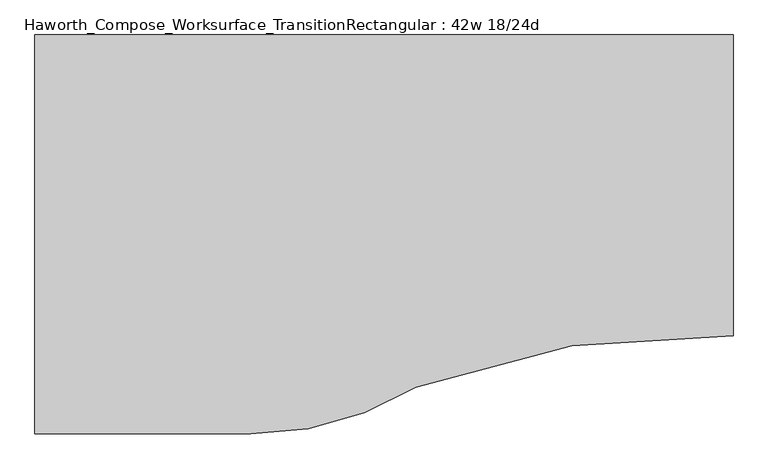
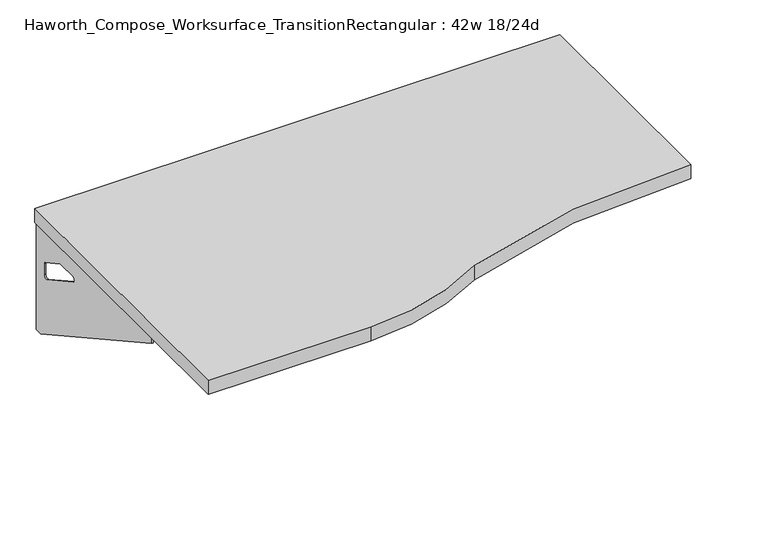
"""IFC4 building model written with IfcOpenShell, lengths in millimetres: furniture geometry, Haworth_Compose_Worksurface_TransitionRectangular : 42w 18/24d."""

import ifcopenshell
import ifcopenshell.guid

model = None  # the IFC model being written
_history = None  # IfcOwnerHistory: only IFC2X3 demands one
_inside = {}  # id of a spatial element -> (the spatial element, [elements in it])
_under = {}  # id of a project, library or spatial element -> (it, [spatial elements below it])
_declared = {}  # id of a project -> (the project, [libraries it declares])
_typed = {}  # id of a type object -> (the type object, [elements of that type])
_made_of = {}  # id of a material, layer set ... -> (it, [elements and type objects made of it])


def new_model(schema):
    """Start an empty IFC model of exactly this schema.

    Asked for "IFC4X3", IfcOpenShell would pick the latest addendum, in which some entities
    have other attributes; the version numbers below select the first issue.
    IFC2X3 requires an IfcOwnerHistory on every rooted entity: one is made here for all.
    """
    global model, _history
    if schema == "IFC4X3":
        model = ifcopenshell.file(schema_version=(4, 3, 0, 0))
    else:
        model = ifcopenshell.file(schema=schema)
    _inside.clear()
    _under.clear()
    _declared.clear()
    _typed.clear()
    _made_of.clear()
    _history = None
    if model.schema == "IFC2X3":
        org = make("IfcOrganization", Name="unknown")
        user = make(
            "IfcPersonAndOrganization",
            ThePerson=make("IfcPerson", FamilyName="unknown"),
            TheOrganization=org,
        )
        app = make(
            "IfcApplication",
            ApplicationDeveloper=org,
            Version="unknown",
            ApplicationFullName="unknown",
            ApplicationIdentifier="unknown",
        )
        _history = make(
            "IfcOwnerHistory",
            OwningUser=user,
            OwningApplication=app,
            ChangeAction="ADDED",
            CreationDate=0,
        )
    return model


def make(cls, **values):
    """One entity of the class cls with the attributes given. An attribute that is None is left unset."""
    return model.create_entity(
        cls, **{name: value for name, value in values.items() if value is not None}
    )


def rooted(cls, **values):
    """An entity with a GlobalId (a new one), such as an element, a storey or a relation."""
    return make(cls, GlobalId=ifcopenshell.guid.new(), OwnerHistory=_history, **values)


def si_unit(unit_type, name, prefix=None):
    """IfcSIUnit, for example si_unit("LENGTHUNIT", "METRE", prefix="MILLI")."""
    return make("IfcSIUnit", UnitType=unit_type, Prefix=prefix, Name=name)


def assignment(units):
    """IfcUnitAssignment: the units of a project."""
    return None if units is None else make("IfcUnitAssignment", Units=units)


def point(xyz):
    """IfcCartesianPoint."""
    return None if xyz is None else make("IfcCartesianPoint", Coordinates=xyz)


def direction(xyz):
    """IfcDirection."""
    return None if xyz is None else make("IfcDirection", DirectionRatios=xyz)


def frame(location, z_axis=None, x_axis=None):
    """IfcAxis2Placement3D, a coordinate frame: its origin and axes. An axis left out is left unset."""
    return make(
        "IfcAxis2Placement3D",
        Location=point(location),
        Axis=direction(z_axis),
        RefDirection=direction(x_axis),
    )


def frame_2d(location, x_axis=None):
    """IfcAxis2Placement2D, a coordinate frame in the plane: its origin and x axis."""
    return make(
        "IfcAxis2Placement2D", Location=point(location), RefDirection=direction(x_axis)
    )


def origin():
    """The frame at (0, 0, 0) with its axes left unset."""
    return frame((0.0, 0.0, 0.0))


def place(relative_to, where):
    """IfcLocalPlacement: puts the frame where relative to a parent placement (None: the world)."""
    return make(
        "IfcLocalPlacement", PlacementRelTo=relative_to, RelativePlacement=where
    )


def context(
    kind, dimensions, precision=None, world=None, true_north=None, identifier=None
):
    """IfcGeometricRepresentationContext, for example the 3D "Model" context."""
    return make(
        "IfcGeometricRepresentationContext",
        ContextIdentifier=identifier,
        ContextType=kind,
        CoordinateSpaceDimension=dimensions,
        Precision=precision,
        WorldCoordinateSystem=world,
        TrueNorth=true_north,
    )


def project(units=None, contexts=None):
    """IfcProject with its units and contexts."""
    return rooted(
        "IfcProject",
        Name="project",
        RepresentationContexts=contexts,
        UnitsInContext=assignment(units),
    )


def spatial(cls, under=None, at=None, **own):
    """A site, building, storey or space (cls), placed at a placement, below another one or the project."""
    s = rooted(cls, ObjectPlacement=at, **own)
    if under is not None:
        _under.setdefault(under.id(), (under, []))[1].append(s)
    return s


def polyline(points):
    """IfcPolyline through the points."""
    return make("IfcPolyline", Points=[point(p) for p in points])


def circle_curve(where, radius):
    """IfcCircle in the frame where."""
    return make("IfcCircle", Position=where, Radius=radius)


def trimmed(basis, trim1, trim2, sense, master):
    """IfcTrimmedCurve: the piece of a basis curve between two trims."""
    return make(
        "IfcTrimmedCurve",
        BasisCurve=basis,
        Trim1=trim1,
        Trim2=trim2,
        SenseAgreement=sense,
        MasterRepresentation=master,
    )


def segment(curve, same_sense, transition):
    """IfcCompositeCurveSegment."""
    return make(
        "IfcCompositeCurveSegment",
        Transition=transition,
        SameSense=same_sense,
        ParentCurve=curve,
    )


def composite_curve(segments, self_intersect=None):
    """IfcCompositeCurve: segments joined end to end."""
    return make("IfcCompositeCurve", Segments=segments, SelfIntersect=self_intersect)


def outline(outer, holes=None, kind="AREA"):
    """IfcArbitraryClosedProfileDef: a profile drawn as a closed curve; with holes, ...WithVoids."""
    if holes is None:
        return make("IfcArbitraryClosedProfileDef", ProfileType=kind, OuterCurve=outer)
    return make(
        "IfcArbitraryProfileDefWithVoids",
        ProfileType=kind,
        OuterCurve=outer,
        InnerCurves=holes,
    )


def extrude(swept, where, along, depth):
    """IfcExtrudedAreaSolid: the profile swept, set in the frame where, extruded along a direction by depth."""
    return make(
        "IfcExtrudedAreaSolid",
        SweptArea=swept,
        Position=where,
        ExtrudedDirection=direction(along),
        Depth=depth,
    )


def shape(context_of_items, identifier, shape_type, items):
    """IfcShapeRepresentation: the items that make up one representation, for example the "Body"."""
    return make(
        "IfcShapeRepresentation",
        ContextOfItems=context_of_items,
        RepresentationIdentifier=identifier,
        RepresentationType=shape_type,
        Items=items,
    )


def source(mapping_origin, context_of_items, identifier, shape_type, items):
    """IfcRepresentationMap: a shape defined once, which mapped items show again and again."""
    return make(
        "IfcRepresentationMap",
        MappingOrigin=mapping_origin,
        MappedRepresentation=shape(context_of_items, identifier, shape_type, items),
    )


def transform(
    local_origin,
    x_axis=None,
    y_axis=None,
    z_axis=None,
    scale=None,
    scale2=None,
    scale3=None,
    uniform=True,
):
    """IfcCartesianTransformationOperator3D, or its non-uniform kind. x_axis, y_axis, z_axis: its Axis1, 2, 3."""
    if uniform:
        return make(
            "IfcCartesianTransformationOperator3D",
            Axis1=direction(x_axis),
            Axis2=direction(y_axis),
            LocalOrigin=point(local_origin),
            Scale=scale,
            Axis3=direction(z_axis),
        )
    return make(
        "IfcCartesianTransformationOperator3DnonUniform",
        Axis1=direction(x_axis),
        Axis2=direction(y_axis),
        LocalOrigin=point(local_origin),
        Scale=scale,
        Axis3=direction(z_axis),
        Scale2=scale2,
        Scale3=scale3,
    )


def mapped(mapping_source, mapping_target):
    """IfcMappedItem: shows the shape of a source again, moved by a transform."""
    return make(
        "IfcMappedItem", MappingSource=mapping_source, MappingTarget=mapping_target
    )


def made_of(thing, what):
    """Note that an element or type object is made of a material, layer set ...; save() writes the relation."""
    if what is not None:
        _made_of.setdefault(what.id(), (what, []))[1].append(thing)
    return thing


def element(
    cls,
    number,
    at=None,
    inside=None,
    cuts=None,
    type_object=None,
    material=None,
    context=None,
    identifier="Body",
    shape_type=None,
    held_by="IfcProductDefinitionShape",
    body=None,
    shapes=None,
    **own,
):
    """One element of the class cls, such as IfcWall. Its Tag is "e" and its number.

    at: its placement. inside: the storey or other place that contains it. cuts: it is an
    opening in that element (IfcRelVoidsElement). A single representation is given by context,
    identifier, shape_type and body (its items); several are given by shapes. held_by: the class
    of the entity that holds the representations. save() writes the other relations.
    """
    e = rooted(cls, Tag="e%d" % number, ObjectPlacement=at, **own)
    if body is not None:
        shapes = [shape(context, identifier, shape_type, body)]
    if shapes is not None:
        e.Representation = make(held_by, Representations=shapes)
    if inside is not None:
        _inside.setdefault(inside.id(), (inside, []))[1].append(e)
    if cuts is not None:
        rooted(
            "IfcRelVoidsElement", RelatingBuildingElement=cuts, RelatedOpeningElement=e
        )
    if type_object is not None:
        _typed.setdefault(type_object.id(), (type_object, []))[1].append(e)
    return made_of(e, material)


def aggregate(whole, parts):
    """IfcRelAggregates: a whole, such as a stair, and the parts it consists of."""
    return rooted("IfcRelAggregates", RelatingObject=whole, RelatedObjects=parts)


def save(model, path):
    """Write the relations noted so far, then the file.

    IfcRelAggregates (storeys below a building ...), IfcRelContainedInSpatialStructure (elements
    in a storey), IfcRelDefinesByType, IfcRelAssociatesMaterial and IfcRelDeclares: one each for
    every whole, place, type object, material and project.
    """
    for whole, parts in _under.values():
        aggregate(whole, parts)
    for where, things in _inside.values():
        rooted(
            "IfcRelContainedInSpatialStructure",
            RelatedElements=things,
            RelatingStructure=where,
        )
    for kind, things in _typed.values():
        rooted("IfcRelDefinesByType", RelatedObjects=things, RelatingType=kind)
    for what, things in _made_of.values():
        rooted("IfcRelAssociatesMaterial", RelatedObjects=things, RelatingMaterial=what)
    for by, libraries in _declared.values():
        rooted("IfcRelDeclares", RelatingContext=by, RelatedDefinitions=libraries)
    model.write(path)


def plane_surface(at):
    """IfcPlane: the flat surface through the origin of the frame at, square to its z axis."""
    return make("IfcPlane", Position=at)


def revolved_surface(curve, axis_point, axis_direction):
    """IfcSurfaceOfRevolution: the curve turned about the line through axis_point along axis_direction."""
    return make(
        "IfcSurfaceOfRevolution",
        SweptCurve=make("IfcArbitraryOpenProfileDef", ProfileType="CURVE", Curve=curve),
        AxisPosition=make("IfcAxis1Placement", Location=point(axis_point), Axis=direction(axis_direction)),
    )


def advanced_brep(points, edges, surfaces, faces):
    """IfcAdvancedBrep: a solid bounded by faces that lie on surfaces and meet in shared edges.

    An edge is (start, end): straight between two places in points (the first is 0);
    or (start, end, curve); or (start, end, curve, False) where it runs against its curve.
    A face is (place in surfaces, loops), or (place, loops, False) where it looks against
    its surface's normal. A loop lists edges by number (the first is 1), with a minus sign
    where the edge is run from its end to its start. The first loop is the outer one.
    """
    corners = [point(p) for p in points]
    vertices = [make("IfcVertexPoint", VertexGeometry=c) for c in corners]
    made = []
    for start, end, *more in edges:
        made.append(
            make(
                "IfcEdgeCurve",
                EdgeStart=vertices[start],
                EdgeEnd=vertices[end],
                EdgeGeometry=more[0] if more else make("IfcPolyline", Points=[corners[start], corners[end]]),
                SameSense=more[1] if len(more) > 1 else True,
            )
        )
    hull = []
    for where, loops, *sense in faces:
        bounds = []
        for j, loop in enumerate(loops):
            ring = [make("IfcOrientedEdge", EdgeElement=made[abs(k) - 1], Orientation=k > 0) for k in loop]
            bounds.append(
                make(
                    "IfcFaceOuterBound" if j == 0 else "IfcFaceBound",
                    Bound=make("IfcEdgeLoop", EdgeList=ring),
                    Orientation=True,
                )
            )
        hull.append(make("IfcAdvancedFace", Bounds=bounds, FaceSurface=surfaces[where], SameSense=sense[0] if sense else True))
    return make("IfcAdvancedBrep", Outer=make("IfcClosedShell", CfsFaces=hull))


def haworth_compose_worksurface_transitionrectangular_42w_18_24d_d1cdecff(model_context):
    return source(origin(), model_context, "Body", "SolidModel", [
        advanced_brep(
        [(508.79375, 152.4, 475.45625), (508.79375, 136.525, 475.45625), (508.79375, -254.0, 691.7192568), (508.79375, -254.0, 704.05625), (508.79375, 136.525, 704.05625), (508.79375, 152.4, 704.05625), (508.79375, 69.090072, 665.95625), (508.79375, 25.4355284, 665.95625), (508.79375, 22.7564235, 656.3705539), (508.79375, 114.4776173, 605.5776439), (508.79375, 123.825, 611.1756969), (508.79375, 123.825, 634.6860246), (508.79375, 122.0730055, 637.5242776), (508.79375, 72.1663437, 665.1613425), (511.175, 152.4, 475.45625), (511.175, 152.4, 704.05625), (511.175, 136.525, 704.05625), (511.175, 136.525, 706.4375), (511.175, -254.0, 706.4375), (511.175, -254.0, 691.7192568), (511.175, 136.525, 475.45625), (511.175, 69.090072, 665.95625), (511.175, 72.1663437, 665.1613425), (511.175, 122.0730055, 637.5242776), (511.175, 123.825, 634.6860246), (511.175, 123.825, 611.1756969), (511.175, 114.4776173, 605.5776439), (511.175, 22.7564235, 656.3705539), (511.175, 25.4355284, 665.95625), (469.9, -254.0, 706.4375), (469.9, -254.0, 704.05625), (469.9, 136.525, 704.05625), (469.9, 136.525, 706.4375)],
        [
            (0, 1),
            (1, 2),
            (2, 3),
            (3, 4),
            (4, 5),
            (5, 0),
            (6, 7),
            (7, 8, circle_curve(frame((508.79375, 25.4355284, 660.7890106), z_axis=(1.0, 0.0, 0.0), x_axis=(0.0, -1.0, 0.0)), 5.1672394)),
            (8, 9),
            (9, 10, circle_curve(frame((508.79375, 117.475, 611.1756969), z_axis=(1.0, 0.0, 0.0), x_axis=(0.0, -1.0, 0.0)), 6.35)),
            (10, 11),
            (11, 12, circle_curve(frame((508.79375, 120.65, 634.6860246), z_axis=(1.0, 0.0, 0.0), x_axis=(0.0, -1.0, 0.0)), 3.175)),
            (12, 13),
            (13, 6, circle_curve(frame((508.79375, 69.090072, 659.60625), z_axis=(1.0, 0.0, 0.0), x_axis=(0.0, -1.0, 0.0)), 6.35)),
            (14, 15),
            (15, 16),
            (16, 17),
            (17, 18),
            (18, 19),
            (19, 20),
            (20, 14),
            (21, 22, circle_curve(frame((511.175, 69.090072, 659.60625), z_axis=(-1.0, 0.0, 0.0), x_axis=(0.0, -1.0, 0.0)), 6.35)),
            (22, 23),
            (23, 24, circle_curve(frame((511.175, 120.65, 634.6860246), z_axis=(-1.0, 0.0, 0.0), x_axis=(0.0, -1.0, 0.0)), 3.175)),
            (24, 25),
            (25, 26, circle_curve(frame((511.175, 117.475, 611.1756969), z_axis=(-1.0, 0.0, 0.0), x_axis=(0.0, -1.0, 0.0)), 6.35)),
            (26, 27),
            (27, 28, circle_curve(frame((511.175, 25.4355284, 660.7890106), z_axis=(-1.0, 0.0, 0.0), x_axis=(0.0, -1.0, 0.0)), 5.1672394)),
            (28, 21),
            (4, 16),
            (15, 5),
            (14, 0),
            (20, 1),
            (19, 2),
            (18, 29),
            (29, 30),
            (30, 3),
            (6, 21),
            (28, 7),
            (9, 26),
            (25, 10),
            (24, 11),
            (23, 12),
            (27, 8),
            (31, 4),
            (30, 31),
            (32, 29),
            (17, 32),
            (31, 32),
            (22, 13),
        ],
        [
            plane_surface(frame((508.79375, 152.4, 475.45625), z_axis=(-1.0, 0.0, 0.0), x_axis=(0.0, 1.0, 0.0))),
            plane_surface(frame((511.175, 152.4, 475.45625), z_axis=(1.0, 0.0, 0.0), x_axis=(0.0, -1.0, 0.0))),
            plane_surface(frame((511.175, -254.0, 704.05625), z_axis=(0.0, 0.0, 1.0), x_axis=(-1.0, 0.0, 0.0))),
            plane_surface(frame((511.175, 152.4, 704.05625), z_axis=(0.0, 1.0, 0.0), x_axis=(-1.0, 0.0, 0.0))),
            plane_surface(frame((511.175, 152.4, 475.45625), z_axis=(0.0, 0.0, -1.0), x_axis=(-1.0, 0.0, 0.0))),
            plane_surface(frame((511.175, 136.525, 475.45625), z_axis=(0.0, -0.48445223513455843, -0.8748177135112952), x_axis=(-1.0, 0.0, 0.0))),
            plane_surface(frame((511.175, -254.0, 691.7192568), z_axis=(0.0, -1.0, 0.0), x_axis=(-1.0, 0.0, 0.0))),
            plane_surface(frame((511.175, 69.090072, 665.95625), z_axis=(0.0, 0.0, -1.0), x_axis=(-1.0, 0.0, 0.0))),
            revolved_surface(polyline([(508.79375, 111.125, 611.1756969), (511.175, 111.125, 611.1756969)]), (511.175, 117.475, 611.1756969), (-1.0, 0.0, 0.0)),
            plane_surface(frame((511.175, 123.825, 611.1756969), z_axis=(0.0, -1.0, 0.0), x_axis=(-1.0, 0.0, 0.0))),
            revolved_surface(polyline([(508.79375, 117.47500000000001, 634.6860246), (511.175, 117.47500000000001, 634.6860246)]), (511.175, 120.65, 634.6860246), (-1.0, 0.0, 0.0)),
            revolved_surface(polyline([(508.79375, 20.268289, 660.7890106), (511.175, 20.268289, 660.7890106)]), (511.175, 25.4355284, 660.7890106), (-1.0, 0.0, 0.0)),
            plane_surface(frame((511.175, 136.525, 704.05625), z_axis=(0.0, 0.0, -1.0), x_axis=(-1.0, 0.0, 0.0))),
            plane_surface(frame((511.175, 136.525, 706.4375), z_axis=(0.0, 0.0, 1.0), x_axis=(1.0, 0.0, 0.0))),
            plane_surface(frame((469.9, 136.525, 706.4375), z_axis=(0.0, 1.0, 0.0), x_axis=(0.0, 0.0, -1.0))),
            plane_surface(frame((469.9, -254.0, 706.4375), z_axis=(-1.0, 0.0, 0.0), x_axis=(0.0, 0.0, -1.0))),
            plane_surface(frame((511.175, 22.7564235, 656.3705539), z_axis=(0.0, 0.4844522351345583, 0.8748177135112953), x_axis=(-1.0, 0.0, 0.0))),
            plane_surface(frame((511.175, 122.0730055, 637.5242776), z_axis=(0.0, -0.4844522351345582, -0.8748177135112953), x_axis=(-1.0, 0.0, 0.0))),
            revolved_surface(polyline([(508.79375, 62.740072000000005, 659.60625), (511.175, 62.740072000000005, 659.60625)]), (511.175, 69.090072, 659.60625), (-1.0, 0.0, 0.0)),
        ],
        [
            (0, [[1, 2, 3, 4, 5, 6], [7, 8, 9, 10, 11, 12, 13, 14]]),
            (1, [[15, 16, 17, 18, 19, 20, 21], [22, 23, 24, 25, 26, 27, 28, 29]]),
            (2, [[-5, 30, -16, 31]]),
            (3, [[-31, -15, 32, -6]]),
            (4, [[-32, -21, 33, -1]]),
            (5, [[-33, -20, 34, -2]]),
            (6, [[-34, -19, 35, 36, 37, -3]]),
            (7, [[38, -29, 39, -7]]),
            (8, [[40, -26, 41, -10]]),
            (9, [[-41, -25, 42, -11]]),
            (10, [[-42, -24, 43, -12]]),
            (11, [[-39, -28, 44, -8]]),
            (12, [[45, -4, -37, 46]]),
            (13, [[47, -35, -18, 48]]),
            (14, [[-17, -30, -45, 49, -48]]),
            (15, [[-36, -47, -49, -46]]),
            (16, [[-44, -27, -40, -9]]),
            (17, [[-43, -23, 50, -13]]),
            (18, [[-50, -22, -38, -14]]),
        ],
    ),
        advanced_brep(
        [(-546.89375, 152.4, 475.45625), (-546.89375, 152.4, 704.05625), (-546.89375, 136.525, 704.05625), (-546.89375, -254.0, 704.05625), (-546.89375, -254.0, 691.7192568), (-546.89375, 136.525, 475.45625), (-546.89375, 69.090072, 665.95625), (-546.89375, 72.1663437, 665.1613425), (-546.89375, 122.0730055, 637.5242776), (-546.89375, 123.825, 634.6860246), (-546.89375, 123.825, 611.1756969), (-546.89375, 114.4776173, 605.5776439), (-546.89375, 22.7564235, 656.3705539), (-546.89375, 25.4355284, 665.95625), (-549.275, 152.4, 475.45625), (-549.275, 136.525, 475.45625), (-549.275, -254.0, 691.7192568), (-549.275, -254.0, 706.4375), (-549.275, 136.525, 706.4375), (-549.275, 136.525, 704.05625), (-549.275, 152.4, 704.05625), (-549.275, 69.090072, 665.95625), (-549.275, 25.4355284, 665.95625), (-549.275, 22.7564235, 656.3705539), (-549.275, 114.4776173, 605.5776439), (-549.275, 123.825, 611.1756969), (-549.275, 123.825, 634.6860246), (-549.275, 122.0730055, 637.5242776), (-549.275, 72.1663437, 665.1613425), (-508.0, -254.0, 704.05625), (-508.0, -254.0, 706.4375), (-508.0, 136.525, 704.05625), (-508.0, 136.525, 706.4375)],
        [
            (0, 1),
            (1, 2),
            (2, 3),
            (3, 4),
            (4, 5),
            (5, 0),
            (6, 7, circle_curve(frame((-546.89375, 69.090072, 659.60625), z_axis=(-1.0, 0.0, 0.0), x_axis=(0.0, -1.0, 0.0)), 6.35)),
            (7, 8),
            (8, 9, circle_curve(frame((-546.89375, 120.65, 634.6860246), z_axis=(-1.0, 0.0, 0.0), x_axis=(0.0, -1.0, 0.0)), 3.175)),
            (9, 10),
            (10, 11, circle_curve(frame((-546.89375, 117.475, 611.1756969), z_axis=(-1.0, 0.0, 0.0), x_axis=(0.0, -1.0, 0.0)), 6.35)),
            (11, 12),
            (12, 13, circle_curve(frame((-546.89375, 25.4355284, 660.7890106), z_axis=(-1.0, 0.0, 0.0), x_axis=(0.0, -1.0, 0.0)), 5.1672394)),
            (13, 6),
            (14, 15),
            (15, 16),
            (16, 17),
            (17, 18),
            (18, 19),
            (19, 20),
            (20, 14),
            (21, 22),
            (22, 23, circle_curve(frame((-549.275, 25.4355284, 660.7890106), z_axis=(1.0, 0.0, 0.0), x_axis=(0.0, -1.0, 0.0)), 5.1672394)),
            (23, 24),
            (24, 25, circle_curve(frame((-549.275, 117.475, 611.1756969), z_axis=(1.0, 0.0, 0.0), x_axis=(0.0, -1.0, 0.0)), 6.35)),
            (25, 26),
            (26, 27, circle_curve(frame((-549.275, 120.65, 634.6860246), z_axis=(1.0, 0.0, 0.0), x_axis=(0.0, -1.0, 0.0)), 3.175)),
            (27, 28),
            (28, 21, circle_curve(frame((-549.275, 69.090072, 659.60625), z_axis=(1.0, 0.0, 0.0), x_axis=(0.0, -1.0, 0.0)), 6.35)),
            (1, 20),
            (19, 2),
            (0, 14),
            (5, 15),
            (4, 16),
            (3, 29),
            (29, 30),
            (30, 17),
            (13, 22),
            (21, 6),
            (10, 25),
            (24, 11),
            (9, 26),
            (8, 27),
            (12, 23),
            (31, 29),
            (2, 31),
            (32, 18),
            (30, 32),
            (32, 31),
            (7, 28),
        ],
        [
            plane_surface(frame((-546.89375, 152.4, 475.45625), z_axis=(1.0, 0.0, 0.0), x_axis=(0.0, 1.0, 0.0))),
            plane_surface(frame((-549.275, 152.4, 475.45625), z_axis=(-1.0, 0.0, 0.0), x_axis=(0.0, -1.0, 0.0))),
            plane_surface(frame((-549.275, -254.0, 704.05625), z_axis=(0.0, 0.0, 1.0), x_axis=(1.0, 0.0, 0.0))),
            plane_surface(frame((-549.275, 152.4, 704.05625), z_axis=(0.0, 1.0, 0.0), x_axis=(1.0, 0.0, 0.0))),
            plane_surface(frame((-549.275, 152.4, 475.45625), z_axis=(0.0, 0.0, -1.0), x_axis=(1.0, 0.0, 0.0))),
            plane_surface(frame((-549.275, 136.525, 475.45625), z_axis=(0.0, -0.48445223513455843, -0.8748177135112952), x_axis=(1.0, 0.0, 0.0))),
            plane_surface(frame((-549.275, -254.0, 691.7192568), z_axis=(0.0, -1.0, 0.0), x_axis=(1.0, 0.0, 0.0))),
            plane_surface(frame((-549.275, 69.090072, 665.95625), z_axis=(0.0, 0.0, -1.0), x_axis=(1.0, 0.0, 0.0))),
            revolved_surface(polyline([(-546.89375, 111.125, 611.1756969), (-549.275, 111.125, 611.1756969)]), (-549.275, 117.475, 611.1756969), (1.0, 0.0, 0.0)),
            plane_surface(frame((-549.275, 123.825, 611.1756969), z_axis=(0.0, -1.0, 0.0), x_axis=(1.0, 0.0, 0.0))),
            revolved_surface(polyline([(-546.89375, 117.47500000000001, 634.6860246), (-549.275, 117.47500000000001, 634.6860246)]), (-549.275, 120.65, 634.6860246), (1.0, 0.0, 0.0)),
            revolved_surface(polyline([(-546.89375, 20.268289, 660.7890106), (-549.275, 20.268289, 660.7890106)]), (-549.275, 25.4355284, 660.7890106), (1.0, 0.0, 0.0)),
            plane_surface(frame((-549.275, 136.525, 704.05625), z_axis=(0.0, 0.0, -1.0), x_axis=(1.0, 0.0, 0.0))),
            plane_surface(frame((-549.275, 136.525, 706.4375), z_axis=(0.0, 0.0, 1.0), x_axis=(-1.0, 0.0, 0.0))),
            plane_surface(frame((-508.0, 136.525, 706.4375), z_axis=(0.0, 1.0, 0.0), x_axis=(0.0, 0.0, -1.0))),
            plane_surface(frame((-508.0, -254.0, 706.4375), z_axis=(1.0, 0.0, 0.0), x_axis=(0.0, 0.0, -1.0))),
            plane_surface(frame((-549.275, 22.7564235, 656.3705539), z_axis=(0.0, 0.4844522351345583, 0.8748177135112953), x_axis=(1.0, 0.0, 0.0))),
            plane_surface(frame((-549.275, 122.0730055, 637.5242776), z_axis=(0.0, -0.4844522351345582, -0.8748177135112953), x_axis=(1.0, 0.0, 0.0))),
            revolved_surface(polyline([(-546.89375, 62.740072000000005, 659.60625), (-549.275, 62.740072000000005, 659.60625)]), (-549.275, 69.090072, 659.60625), (1.0, 0.0, 0.0)),
        ],
        [
            (0, [[1, 2, 3, 4, 5, 6], [7, 8, 9, 10, 11, 12, 13, 14]]),
            (1, [[15, 16, 17, 18, 19, 20, 21], [22, 23, 24, 25, 26, 27, 28, 29]]),
            (2, [[30, -20, 31, -2]]),
            (3, [[-1, 32, -21, -30]]),
            (4, [[-6, 33, -15, -32]]),
            (5, [[-5, 34, -16, -33]]),
            (6, [[-4, 35, 36, 37, -17, -34]]),
            (7, [[-14, 38, -22, 39]]),
            (8, [[-11, 40, -25, 41]]),
            (9, [[-10, 42, -26, -40]]),
            (10, [[-9, 43, -27, -42]]),
            (11, [[-13, 44, -23, -38]]),
            (12, [[45, -35, -3, 46]]),
            (13, [[47, -18, -37, 48]]),
            (14, [[-47, 49, -46, -31, -19]]),
            (15, [[-45, -49, -48, -36]]),
            (16, [[-12, -41, -24, -44]]),
            (17, [[-8, 50, -28, -43]]),
            (18, [[-7, -39, -29, -50]]),
        ],
    ),
        extrude(outline(composite_curve([segment(trimmed(circle_curve(frame_2d((463.5932653, -1525.6064208)), 1219.2), [point((514.35, -307.4634103))], [point((29.5318841, -386.2911188))], True, "CARTESIAN"), True, "CONTINUOUS"), segment(trimmed(circle_curve(frame_2d((-222.2878584, 25.4)), 482.6), [point((29.5318841, -386.2911188))], [point((-222.2878584, -457.2))], False, "CARTESIAN"), True, "CONTINUOUS"), segment(polyline([(-222.2878584, -457.2), (-552.45, -457.2), (-552.45, 152.4), (514.35, 152.4), (514.35, -307.4634103)]), True, "CONTINUOUS")], self_intersect=False)), frame((0.0, 0.0, 706.4375), z_axis=(0.0, 0.0, 1.0), x_axis=(1.0, 0.0, 0.0)), (0.0, 0.0, 1.0), 30.1625),
    ])


if __name__ == "__main__":
    model = new_model("IFC4")
    model_context = context("Model", 3, world=origin())
    ifc_project = project(units=[si_unit("LENGTHUNIT", "METRE", prefix="MILLI")], contexts=[model_context])
    site = spatial("IfcSite", under=ifc_project)
    building = spatial("IfcBuilding", under=site)
    placement = place(None, origin())
    haworth_compose_worksurface_transitionrectangular_42w_18_24d_shape = haworth_compose_worksurface_transitionrectangular_42w_18_24d_d1cdecff(model_context)
    element("IfcFurniture", 1, ObjectType="Haworth_Compose_Worksurface_TransitionRectangular : 42w 18/24d", at=placement, inside=building, context=model_context, shape_type="MappedRepresentation", body=[
        mapped(haworth_compose_worksurface_transitionrectangular_42w_18_24d_shape, transform((0.0, 0.0, 0.0), x_axis=(1.0, 0.0, 0.0), y_axis=(0.0, 1.0, 0.0), z_axis=(0.0, 0.0, 1.0))),
    ])
    save(model, "model.ifc")
